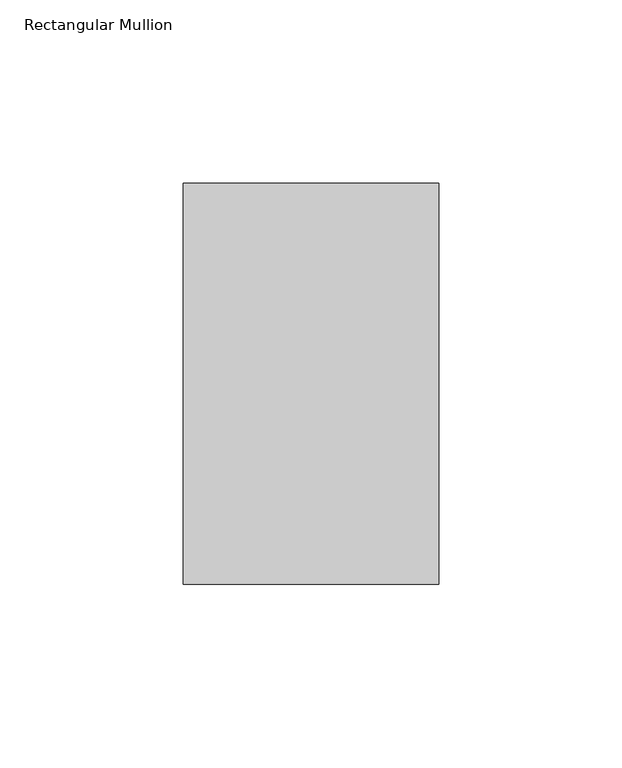
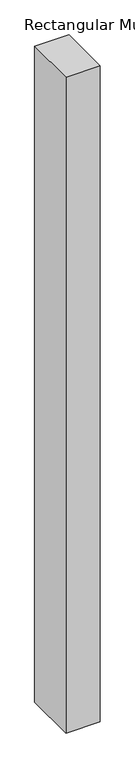
"""IFC4 building model written with IfcOpenShell, lengths in millimetres: member geometry, Rectangular Mullion."""

from ifc_helpers import new_model, si_unit, frame, origin, place, context, project, spatial, polyline, outline, extrude, source, transform, mapped, element, save


def rectangular_mullion_d655eddd(model_context):
    return source(origin(), model_context, "Body", "SweptSolid", [
        extrude(outline(polyline([(0.0, -76.99375), (-69.85, -76.99375), (-69.85, 32.54375), (0.0, 32.54375), (0.0, -76.99375)])), frame((0.0, 0.0, -1408.90625), z_axis=(0.0, 0.0, 1.0), x_axis=(1.0, 0.0, 0.0)), (0.0, 0.0, 1.0), 1408.90625),
    ])


if __name__ == "__main__":
    model = new_model("IFC4")
    model_context = context("Model", 3, world=origin())
    ifc_project = project(units=[si_unit("LENGTHUNIT", "METRE", prefix="MILLI")], contexts=[model_context])
    site = spatial("IfcSite", under=ifc_project)
    building = spatial("IfcBuilding", under=site)
    placement = place(None, origin())
    rectangular_mullion_shape = rectangular_mullion_d655eddd(model_context)
    element("IfcMember", 1, ObjectType="Rectangular Mullion", at=placement, inside=building, context=model_context, shape_type="MappedRepresentation", body=[
        mapped(rectangular_mullion_shape, transform((0.0, 0.0, 0.0), x_axis=(1.0, 0.0, 0.0), y_axis=(0.0, 1.0, 0.0), z_axis=(0.0, 0.0, 1.0))),
    ])
    save(model, "model.ifc")
